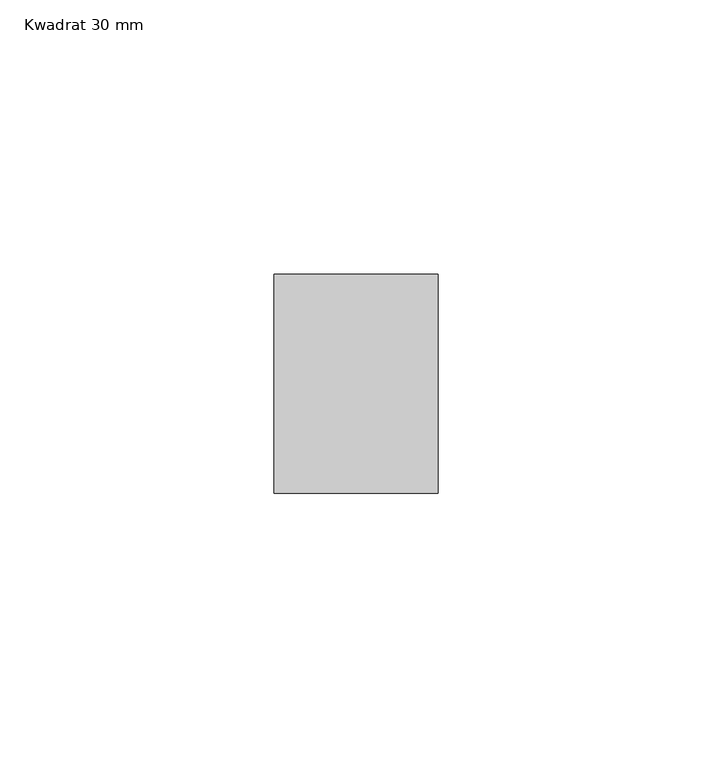
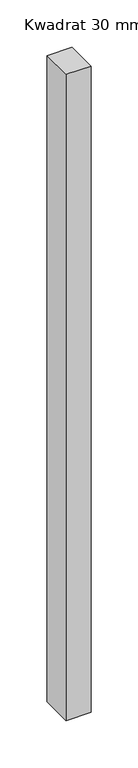
"""IFC4 building model written with IfcOpenShell, lengths in millimetres: member geometry, Kwadrat 30 mm."""

import ifcopenshell
import ifcopenshell.guid

model = None  # the IFC model being written
_history = None  # IfcOwnerHistory: only IFC2X3 demands one
_inside = {}  # id of a spatial element -> (the spatial element, [elements in it])
_under = {}  # id of a project, library or spatial element -> (it, [spatial elements below it])
_declared = {}  # id of a project -> (the project, [libraries it declares])
_typed = {}  # id of a type object -> (the type object, [elements of that type])
_made_of = {}  # id of a material, layer set ... -> (it, [elements and type objects made of it])


def new_model(schema):
    """Start an empty IFC model of exactly this schema.

    Asked for "IFC4X3", IfcOpenShell would pick the latest addendum, in which some entities
    have other attributes; the version numbers below select the first issue.
    IFC2X3 requires an IfcOwnerHistory on every rooted entity: one is made here for all.
    """
    global model, _history
    if schema == "IFC4X3":
        model = ifcopenshell.file(schema_version=(4, 3, 0, 0))
    else:
        model = ifcopenshell.file(schema=schema)
    _inside.clear()
    _under.clear()
    _declared.clear()
    _typed.clear()
    _made_of.clear()
    _history = None
    if model.schema == "IFC2X3":
        org = make("IfcOrganization", Name="unknown")
        user = make(
            "IfcPersonAndOrganization",
            ThePerson=make("IfcPerson", FamilyName="unknown"),
            TheOrganization=org,
        )
        app = make(
            "IfcApplication",
            ApplicationDeveloper=org,
            Version="unknown",
            ApplicationFullName="unknown",
            ApplicationIdentifier="unknown",
        )
        _history = make(
            "IfcOwnerHistory",
            OwningUser=user,
            OwningApplication=app,
            ChangeAction="ADDED",
            CreationDate=0,
        )
    return model


def make(cls, **values):
    """One entity of the class cls with the attributes given. An attribute that is None is left unset."""
    return model.create_entity(
        cls, **{name: value for name, value in values.items() if value is not None}
    )


def rooted(cls, **values):
    """An entity with a GlobalId (a new one), such as an element, a storey or a relation."""
    return make(cls, GlobalId=ifcopenshell.guid.new(), OwnerHistory=_history, **values)


def si_unit(unit_type, name, prefix=None):
    """IfcSIUnit, for example si_unit("LENGTHUNIT", "METRE", prefix="MILLI")."""
    return make("IfcSIUnit", UnitType=unit_type, Prefix=prefix, Name=name)


def assignment(units):
    """IfcUnitAssignment: the units of a project."""
    return None if units is None else make("IfcUnitAssignment", Units=units)


def point(xyz):
    """IfcCartesianPoint."""
    return None if xyz is None else make("IfcCartesianPoint", Coordinates=xyz)


def direction(xyz):
    """IfcDirection."""
    return None if xyz is None else make("IfcDirection", DirectionRatios=xyz)


def frame(location, z_axis=None, x_axis=None):
    """IfcAxis2Placement3D, a coordinate frame: its origin and axes. An axis left out is left unset."""
    return make(
        "IfcAxis2Placement3D",
        Location=point(location),
        Axis=direction(z_axis),
        RefDirection=direction(x_axis),
    )


def origin():
    """The frame at (0, 0, 0) with its axes left unset."""
    return frame((0.0, 0.0, 0.0))


def place(relative_to, where):
    """IfcLocalPlacement: puts the frame where relative to a parent placement (None: the world)."""
    return make(
        "IfcLocalPlacement", PlacementRelTo=relative_to, RelativePlacement=where
    )


def context(
    kind, dimensions, precision=None, world=None, true_north=None, identifier=None
):
    """IfcGeometricRepresentationContext, for example the 3D "Model" context."""
    return make(
        "IfcGeometricRepresentationContext",
        ContextIdentifier=identifier,
        ContextType=kind,
        CoordinateSpaceDimension=dimensions,
        Precision=precision,
        WorldCoordinateSystem=world,
        TrueNorth=true_north,
    )


def project(units=None, contexts=None):
    """IfcProject with its units and contexts."""
    return rooted(
        "IfcProject",
        Name="project",
        RepresentationContexts=contexts,
        UnitsInContext=assignment(units),
    )


def spatial(cls, under=None, at=None, **own):
    """A site, building, storey or space (cls), placed at a placement, below another one or the project."""
    s = rooted(cls, ObjectPlacement=at, **own)
    if under is not None:
        _under.setdefault(under.id(), (under, []))[1].append(s)
    return s


def polyline(points):
    """IfcPolyline through the points."""
    return make("IfcPolyline", Points=[point(p) for p in points])


def outline(outer, holes=None, kind="AREA"):
    """IfcArbitraryClosedProfileDef: a profile drawn as a closed curve; with holes, ...WithVoids."""
    if holes is None:
        return make("IfcArbitraryClosedProfileDef", ProfileType=kind, OuterCurve=outer)
    return make(
        "IfcArbitraryProfileDefWithVoids",
        ProfileType=kind,
        OuterCurve=outer,
        InnerCurves=holes,
    )


def extrude(swept, where, along, depth):
    """IfcExtrudedAreaSolid: the profile swept, set in the frame where, extruded along a direction by depth."""
    return make(
        "IfcExtrudedAreaSolid",
        SweptArea=swept,
        Position=where,
        ExtrudedDirection=direction(along),
        Depth=depth,
    )


def shape(context_of_items, identifier, shape_type, items):
    """IfcShapeRepresentation: the items that make up one representation, for example the "Body"."""
    return make(
        "IfcShapeRepresentation",
        ContextOfItems=context_of_items,
        RepresentationIdentifier=identifier,
        RepresentationType=shape_type,
        Items=items,
    )


def source(mapping_origin, context_of_items, identifier, shape_type, items):
    """IfcRepresentationMap: a shape defined once, which mapped items show again and again."""
    return make(
        "IfcRepresentationMap",
        MappingOrigin=mapping_origin,
        MappedRepresentation=shape(context_of_items, identifier, shape_type, items),
    )


def transform(
    local_origin,
    x_axis=None,
    y_axis=None,
    z_axis=None,
    scale=None,
    scale2=None,
    scale3=None,
    uniform=True,
):
    """IfcCartesianTransformationOperator3D, or its non-uniform kind. x_axis, y_axis, z_axis: its Axis1, 2, 3."""
    if uniform:
        return make(
            "IfcCartesianTransformationOperator3D",
            Axis1=direction(x_axis),
            Axis2=direction(y_axis),
            LocalOrigin=point(local_origin),
            Scale=scale,
            Axis3=direction(z_axis),
        )
    return make(
        "IfcCartesianTransformationOperator3DnonUniform",
        Axis1=direction(x_axis),
        Axis2=direction(y_axis),
        LocalOrigin=point(local_origin),
        Scale=scale,
        Axis3=direction(z_axis),
        Scale2=scale2,
        Scale3=scale3,
    )


def mapped(mapping_source, mapping_target):
    """IfcMappedItem: shows the shape of a source again, moved by a transform."""
    return make(
        "IfcMappedItem", MappingSource=mapping_source, MappingTarget=mapping_target
    )


def made_of(thing, what):
    """Note that an element or type object is made of a material, layer set ...; save() writes the relation."""
    if what is not None:
        _made_of.setdefault(what.id(), (what, []))[1].append(thing)
    return thing


def element(
    cls,
    number,
    at=None,
    inside=None,
    cuts=None,
    type_object=None,
    material=None,
    context=None,
    identifier="Body",
    shape_type=None,
    held_by="IfcProductDefinitionShape",
    body=None,
    shapes=None,
    **own,
):
    """One element of the class cls, such as IfcWall. Its Tag is "e" and its number.

    at: its placement. inside: the storey or other place that contains it. cuts: it is an
    opening in that element (IfcRelVoidsElement). A single representation is given by context,
    identifier, shape_type and body (its items); several are given by shapes. held_by: the class
    of the entity that holds the representations. save() writes the other relations.
    """
    e = rooted(cls, Tag="e%d" % number, ObjectPlacement=at, **own)
    if body is not None:
        shapes = [shape(context, identifier, shape_type, body)]
    if shapes is not None:
        e.Representation = make(held_by, Representations=shapes)
    if inside is not None:
        _inside.setdefault(inside.id(), (inside, []))[1].append(e)
    if cuts is not None:
        rooted(
            "IfcRelVoidsElement", RelatingBuildingElement=cuts, RelatedOpeningElement=e
        )
    if type_object is not None:
        _typed.setdefault(type_object.id(), (type_object, []))[1].append(e)
    return made_of(e, material)


def aggregate(whole, parts):
    """IfcRelAggregates: a whole, such as a stair, and the parts it consists of."""
    return rooted("IfcRelAggregates", RelatingObject=whole, RelatedObjects=parts)


def save(model, path):
    """Write the relations noted so far, then the file.

    IfcRelAggregates (storeys below a building ...), IfcRelContainedInSpatialStructure (elements
    in a storey), IfcRelDefinesByType, IfcRelAssociatesMaterial and IfcRelDeclares: one each for
    every whole, place, type object, material and project.
    """
    for whole, parts in _under.values():
        aggregate(whole, parts)
    for where, things in _inside.values():
        rooted(
            "IfcRelContainedInSpatialStructure",
            RelatedElements=things,
            RelatingStructure=where,
        )
    for kind, things in _typed.values():
        rooted("IfcRelDefinesByType", RelatedObjects=things, RelatingType=kind)
    for what, things in _made_of.values():
        rooted("IfcRelAssociatesMaterial", RelatedObjects=things, RelatingMaterial=what)
    for by, libraries in _declared.values():
        rooted("IfcRelDeclares", RelatingContext=by, RelatedDefinitions=libraries)
    model.write(path)


def kwadrat_30_mm_532b84e8(model_context):
    return source(origin(), model_context, "Body", "SweptSolid", [
        extrude(outline(polyline([(0.0, 20.0), (0.0, -20.0), (-30.0, -20.0), (-30.0, 20.0), (0.0, 20.0)])), frame((0.0, 0.0, -831.7315993), z_axis=(0.0, 0.0, 1.0), x_axis=(1.0, 0.0, 0.0)), (0.0, 0.0, 1.0), 831.7315993),
    ])


if __name__ == "__main__":
    model = new_model("IFC4")
    model_context = context("Model", 3, world=origin())
    ifc_project = project(units=[si_unit("LENGTHUNIT", "METRE", prefix="MILLI")], contexts=[model_context])
    site = spatial("IfcSite", under=ifc_project)
    building = spatial("IfcBuilding", under=site)
    placement = place(None, origin())
    kwadrat_30_mm_shape = kwadrat_30_mm_532b84e8(model_context)
    element("IfcMember", 1, ObjectType="Kwadrat 30 mm", at=placement, inside=building, context=model_context, shape_type="MappedRepresentation", body=[
        mapped(kwadrat_30_mm_shape, transform((0.0, 0.0, 0.0), x_axis=(1.0, 0.0, 0.0), y_axis=(0.0, 1.0, 0.0), z_axis=(0.0, 0.0, 1.0))),
    ])
    save(model, "model.ifc")
